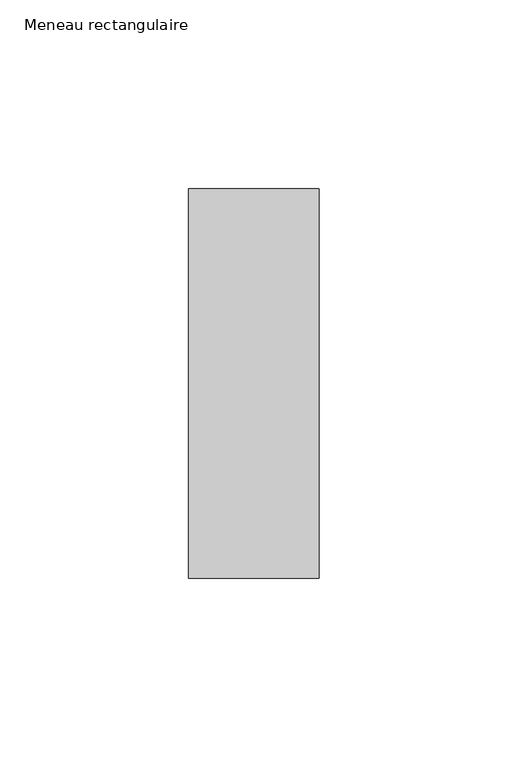
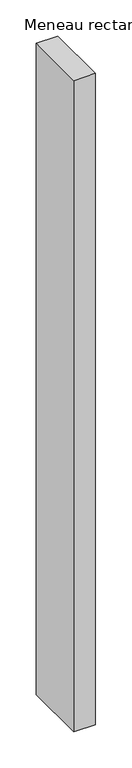
"""IFC4 building model written with IfcOpenShell, lengths in millimetres: member geometry, Meneau rectangulaire."""

from ifc_helpers import new_model, si_unit, frame, origin, place, context, project, spatial, polyline, outline, extrude, source, transform, mapped, element, save


def meneau_rectangulaire_63095cde(model_context):
    return source(origin(), model_context, "Body", "SweptSolid", [
        extrude(outline(polyline([(0.0, 51.5), (0.0, -51.5), (-34.5, -51.5), (-34.5, 51.5), (0.0, 51.5)])), frame((0.0, 0.0, -1095.1250002), z_axis=(0.0, 0.0, 1.0), x_axis=(1.0, 0.0, 0.0)), (0.0, 0.0, 1.0), 1095.1250002),
    ])


if __name__ == "__main__":
    model = new_model("IFC4")
    model_context = context("Model", 3, world=origin())
    ifc_project = project(units=[si_unit("LENGTHUNIT", "METRE", prefix="MILLI")], contexts=[model_context])
    site = spatial("IfcSite", under=ifc_project)
    building = spatial("IfcBuilding", under=site)
    placement = place(None, origin())
    meneau_rectangulaire_shape = meneau_rectangulaire_63095cde(model_context)
    element("IfcMember", 1, ObjectType="Meneau rectangulaire", at=placement, inside=building, context=model_context, shape_type="MappedRepresentation", body=[
        mapped(meneau_rectangulaire_shape, transform((0.0, 0.0, 0.0), x_axis=(1.0, 0.0, 0.0), y_axis=(0.0, 1.0, 0.0), z_axis=(0.0, 0.0, 1.0))),
    ])
    save(model, "model.ifc")
